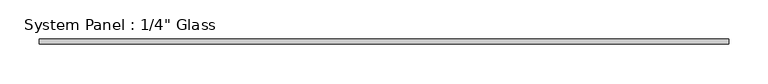
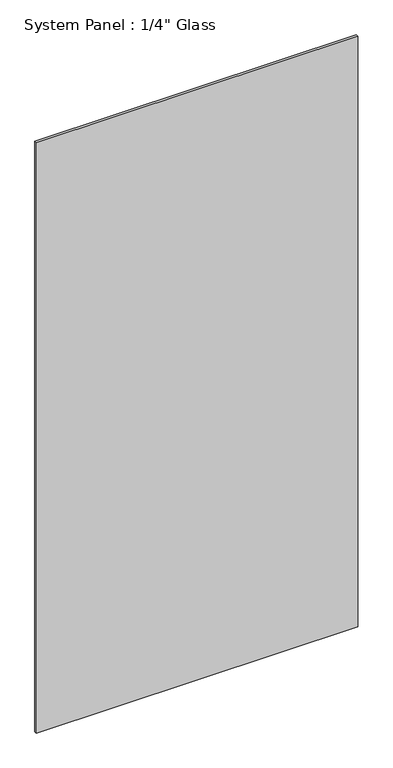
"""IFC4 building model written with IfcOpenShell, lengths in millimetres: plate geometry."""

from ifc_helpers import new_model, si_unit, origin, origin_with_axes, place, context, project, spatial, polyline, outline, extrude, source, transform, mapped, element, save


def plate_fe6e38cc(model_context):
    return source(origin(), model_context, "Body", "SweptSolid", [
        extrude(outline(polyline([(436.5625, -3.175), (-436.5625, -3.175), (-436.5625, 3.175), (436.5625, 3.175), (436.5625, -3.175)])), origin_with_axes(), (0.0, 0.0, 1.0), 1695.45),
    ])


if __name__ == "__main__":
    model = new_model("IFC4")
    model_context = context("Model", 3, world=origin())
    ifc_project = project(units=[si_unit("LENGTHUNIT", "METRE", prefix="MILLI")], contexts=[model_context])
    site = spatial("IfcSite", under=ifc_project)
    building = spatial("IfcBuilding", under=site)
    placement = place(None, origin())
    plate_shape = plate_fe6e38cc(model_context)
    element("IfcPlate", 1, ObjectType="System Panel : 1/4\" Glass", at=placement, inside=building, context=model_context, shape_type="MappedRepresentation", body=[
        mapped(plate_shape, transform((0.0, 0.0, 0.0), x_axis=(1.0, 0.0, 0.0), y_axis=(0.0, 1.0, 0.0), z_axis=(0.0, 0.0, 1.0))),
    ])
    save(model, "model.ifc")
